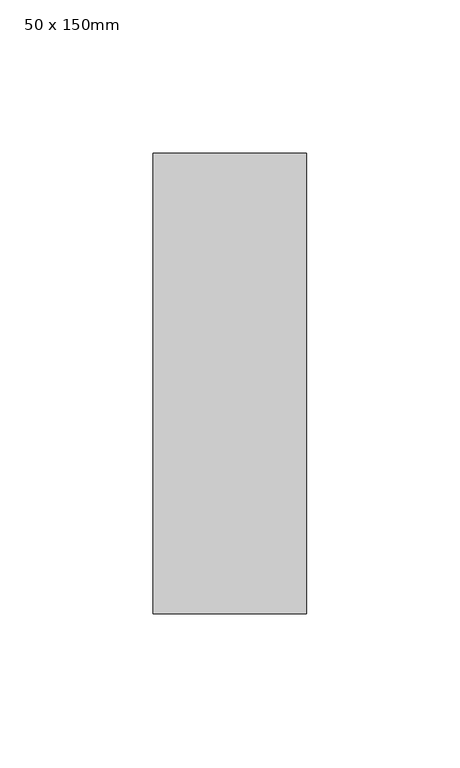
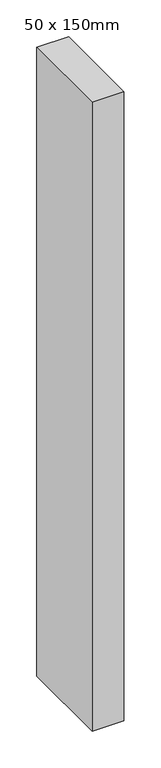
"""IFC4 building model written with IfcOpenShell, lengths in millimetres: member geometry, 50 x 150mm."""

from ifc_helpers import new_model, si_unit, frame, origin, place, context, project, spatial, polyline, outline, extrude, source, transform, mapped, element, save


def member_50_x_150mm_53f46611(model_context):
    return source(origin(), model_context, "Body", "SweptSolid", [
        extrude(outline(polyline([(0.0, 75.0), (0.0, -75.0), (-50.0, -75.0), (-50.0, 75.0), (0.0, 75.0)])), frame((0.0, 0.0, -1042.1098278), z_axis=(0.0, 0.0, 1.0), x_axis=(1.0, 0.0, 0.0)), (0.0, 0.0, 1.0), 1042.1098278),
    ])


if __name__ == "__main__":
    model = new_model("IFC4")
    model_context = context("Model", 3, world=origin())
    ifc_project = project(units=[si_unit("LENGTHUNIT", "METRE", prefix="MILLI")], contexts=[model_context])
    site = spatial("IfcSite", under=ifc_project)
    building = spatial("IfcBuilding", under=site)
    placement = place(None, origin())
    member_50_x_150mm_shape = member_50_x_150mm_53f46611(model_context)
    element("IfcMember", 1, ObjectType="50 x 150mm", at=placement, inside=building, context=model_context, shape_type="MappedRepresentation", body=[
        mapped(member_50_x_150mm_shape, transform((0.0, 0.0, 0.0), x_axis=(1.0, 0.0, 0.0), y_axis=(0.0, 1.0, 0.0), z_axis=(0.0, 0.0, 1.0))),
    ])
    save(model, "model.ifc")
